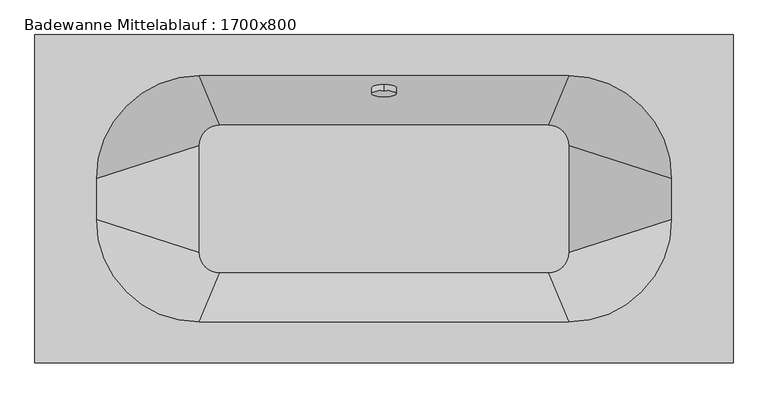
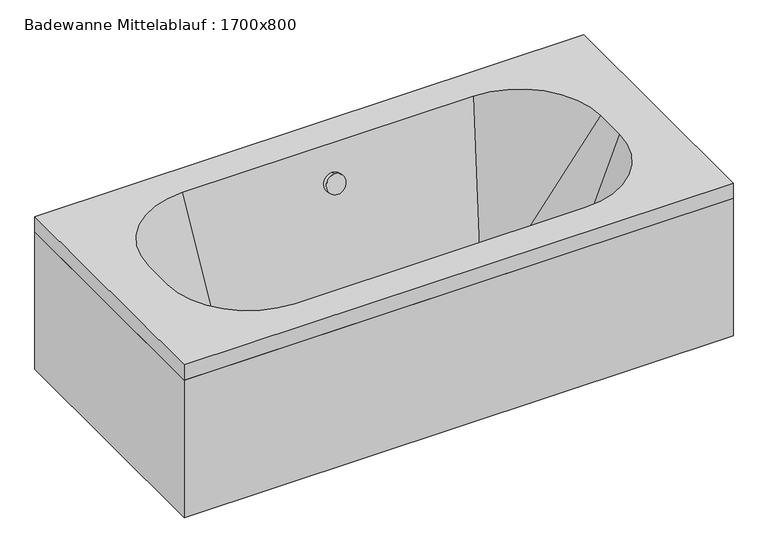
"""IFC4 building model written with IfcOpenShell, lengths in millimetres: flow terminal geometry, Badewanne Mittelablauf : 1700x800."""

import ifcopenshell
import ifcopenshell.guid

model = None  # the IFC model being written
_history = None  # IfcOwnerHistory: only IFC2X3 demands one
_inside = {}  # id of a spatial element -> (the spatial element, [elements in it])
_under = {}  # id of a project, library or spatial element -> (it, [spatial elements below it])
_declared = {}  # id of a project -> (the project, [libraries it declares])
_typed = {}  # id of a type object -> (the type object, [elements of that type])
_made_of = {}  # id of a material, layer set ... -> (it, [elements and type objects made of it])


def new_model(schema):
    """Start an empty IFC model of exactly this schema.

    Asked for "IFC4X3", IfcOpenShell would pick the latest addendum, in which some entities
    have other attributes; the version numbers below select the first issue.
    IFC2X3 requires an IfcOwnerHistory on every rooted entity: one is made here for all.
    """
    global model, _history
    if schema == "IFC4X3":
        model = ifcopenshell.file(schema_version=(4, 3, 0, 0))
    else:
        model = ifcopenshell.file(schema=schema)
    _inside.clear()
    _under.clear()
    _declared.clear()
    _typed.clear()
    _made_of.clear()
    _history = None
    if model.schema == "IFC2X3":
        org = make("IfcOrganization", Name="unknown")
        user = make(
            "IfcPersonAndOrganization",
            ThePerson=make("IfcPerson", FamilyName="unknown"),
            TheOrganization=org,
        )
        app = make(
            "IfcApplication",
            ApplicationDeveloper=org,
            Version="unknown",
            ApplicationFullName="unknown",
            ApplicationIdentifier="unknown",
        )
        _history = make(
            "IfcOwnerHistory",
            OwningUser=user,
            OwningApplication=app,
            ChangeAction="ADDED",
            CreationDate=0,
        )
    return model


def make(cls, **values):
    """One entity of the class cls with the attributes given. An attribute that is None is left unset."""
    return model.create_entity(
        cls, **{name: value for name, value in values.items() if value is not None}
    )


def rooted(cls, **values):
    """An entity with a GlobalId (a new one), such as an element, a storey or a relation."""
    return make(cls, GlobalId=ifcopenshell.guid.new(), OwnerHistory=_history, **values)


def si_unit(unit_type, name, prefix=None):
    """IfcSIUnit, for example si_unit("LENGTHUNIT", "METRE", prefix="MILLI")."""
    return make("IfcSIUnit", UnitType=unit_type, Prefix=prefix, Name=name)


def assignment(units):
    """IfcUnitAssignment: the units of a project."""
    return None if units is None else make("IfcUnitAssignment", Units=units)


def point(xyz):
    """IfcCartesianPoint."""
    return None if xyz is None else make("IfcCartesianPoint", Coordinates=xyz)


def direction(xyz):
    """IfcDirection."""
    return None if xyz is None else make("IfcDirection", DirectionRatios=xyz)


def frame(location, z_axis=None, x_axis=None):
    """IfcAxis2Placement3D, a coordinate frame: its origin and axes. An axis left out is left unset."""
    return make(
        "IfcAxis2Placement3D",
        Location=point(location),
        Axis=direction(z_axis),
        RefDirection=direction(x_axis),
    )


def frame_2d(location, x_axis=None):
    """IfcAxis2Placement2D, a coordinate frame in the plane: its origin and x axis."""
    return make(
        "IfcAxis2Placement2D", Location=point(location), RefDirection=direction(x_axis)
    )


def origin():
    """The frame at (0, 0, 0) with its axes left unset."""
    return frame((0.0, 0.0, 0.0))


def origin_with_axes():
    """The frame at (0, 0, 0) with the z axis (0, 0, 1) and the x axis (1, 0, 0) written out."""
    return frame((0.0, 0.0, 0.0), z_axis=(0.0, 0.0, 1.0), x_axis=(1.0, 0.0, 0.0))


def place(relative_to, where):
    """IfcLocalPlacement: puts the frame where relative to a parent placement (None: the world)."""
    return make(
        "IfcLocalPlacement", PlacementRelTo=relative_to, RelativePlacement=where
    )


def context(
    kind, dimensions, precision=None, world=None, true_north=None, identifier=None
):
    """IfcGeometricRepresentationContext, for example the 3D "Model" context."""
    return make(
        "IfcGeometricRepresentationContext",
        ContextIdentifier=identifier,
        ContextType=kind,
        CoordinateSpaceDimension=dimensions,
        Precision=precision,
        WorldCoordinateSystem=world,
        TrueNorth=true_north,
    )


def project(units=None, contexts=None):
    """IfcProject with its units and contexts."""
    return rooted(
        "IfcProject",
        Name="project",
        RepresentationContexts=contexts,
        UnitsInContext=assignment(units),
    )


def spatial(cls, under=None, at=None, **own):
    """A site, building, storey or space (cls), placed at a placement, below another one or the project."""
    s = rooted(cls, ObjectPlacement=at, **own)
    if under is not None:
        _under.setdefault(under.id(), (under, []))[1].append(s)
    return s


def polyline(points):
    """IfcPolyline through the points."""
    return make("IfcPolyline", Points=[point(p) for p in points])


def circle_curve(where, radius):
    """IfcCircle in the frame where."""
    return make("IfcCircle", Position=where, Radius=radius)


def trimmed(basis, trim1, trim2, sense, master):
    """IfcTrimmedCurve: the piece of a basis curve between two trims."""
    return make(
        "IfcTrimmedCurve",
        BasisCurve=basis,
        Trim1=trim1,
        Trim2=trim2,
        SenseAgreement=sense,
        MasterRepresentation=master,
    )


def segment(curve, same_sense, transition):
    """IfcCompositeCurveSegment."""
    return make(
        "IfcCompositeCurveSegment",
        Transition=transition,
        SameSense=same_sense,
        ParentCurve=curve,
    )


def composite_curve(segments, self_intersect=None):
    """IfcCompositeCurve: segments joined end to end."""
    return make("IfcCompositeCurve", Segments=segments, SelfIntersect=self_intersect)


def outline(outer, holes=None, kind="AREA"):
    """IfcArbitraryClosedProfileDef: a profile drawn as a closed curve; with holes, ...WithVoids."""
    if holes is None:
        return make("IfcArbitraryClosedProfileDef", ProfileType=kind, OuterCurve=outer)
    return make(
        "IfcArbitraryProfileDefWithVoids",
        ProfileType=kind,
        OuterCurve=outer,
        InnerCurves=holes,
    )


def extrude(swept, where, along, depth):
    """IfcExtrudedAreaSolid: the profile swept, set in the frame where, extruded along a direction by depth."""
    return make(
        "IfcExtrudedAreaSolid",
        SweptArea=swept,
        Position=where,
        ExtrudedDirection=direction(along),
        Depth=depth,
    )


def shape(context_of_items, identifier, shape_type, items):
    """IfcShapeRepresentation: the items that make up one representation, for example the "Body"."""
    return make(
        "IfcShapeRepresentation",
        ContextOfItems=context_of_items,
        RepresentationIdentifier=identifier,
        RepresentationType=shape_type,
        Items=items,
    )


def source(mapping_origin, context_of_items, identifier, shape_type, items):
    """IfcRepresentationMap: a shape defined once, which mapped items show again and again."""
    return make(
        "IfcRepresentationMap",
        MappingOrigin=mapping_origin,
        MappedRepresentation=shape(context_of_items, identifier, shape_type, items),
    )


def transform(
    local_origin,
    x_axis=None,
    y_axis=None,
    z_axis=None,
    scale=None,
    scale2=None,
    scale3=None,
    uniform=True,
):
    """IfcCartesianTransformationOperator3D, or its non-uniform kind. x_axis, y_axis, z_axis: its Axis1, 2, 3."""
    if uniform:
        return make(
            "IfcCartesianTransformationOperator3D",
            Axis1=direction(x_axis),
            Axis2=direction(y_axis),
            LocalOrigin=point(local_origin),
            Scale=scale,
            Axis3=direction(z_axis),
        )
    return make(
        "IfcCartesianTransformationOperator3DnonUniform",
        Axis1=direction(x_axis),
        Axis2=direction(y_axis),
        LocalOrigin=point(local_origin),
        Scale=scale,
        Axis3=direction(z_axis),
        Scale2=scale2,
        Scale3=scale3,
    )


def mapped(mapping_source, mapping_target):
    """IfcMappedItem: shows the shape of a source again, moved by a transform."""
    return make(
        "IfcMappedItem", MappingSource=mapping_source, MappingTarget=mapping_target
    )


def made_of(thing, what):
    """Note that an element or type object is made of a material, layer set ...; save() writes the relation."""
    if what is not None:
        _made_of.setdefault(what.id(), (what, []))[1].append(thing)
    return thing


def element(
    cls,
    number,
    at=None,
    inside=None,
    cuts=None,
    type_object=None,
    material=None,
    context=None,
    identifier="Body",
    shape_type=None,
    held_by="IfcProductDefinitionShape",
    body=None,
    shapes=None,
    **own,
):
    """One element of the class cls, such as IfcWall. Its Tag is "e" and its number.

    at: its placement. inside: the storey or other place that contains it. cuts: it is an
    opening in that element (IfcRelVoidsElement). A single representation is given by context,
    identifier, shape_type and body (its items); several are given by shapes. held_by: the class
    of the entity that holds the representations. save() writes the other relations.
    """
    e = rooted(cls, Tag="e%d" % number, ObjectPlacement=at, **own)
    if body is not None:
        shapes = [shape(context, identifier, shape_type, body)]
    if shapes is not None:
        e.Representation = make(held_by, Representations=shapes)
    if inside is not None:
        _inside.setdefault(inside.id(), (inside, []))[1].append(e)
    if cuts is not None:
        rooted(
            "IfcRelVoidsElement", RelatingBuildingElement=cuts, RelatedOpeningElement=e
        )
    if type_object is not None:
        _typed.setdefault(type_object.id(), (type_object, []))[1].append(e)
    return made_of(e, material)


def aggregate(whole, parts):
    """IfcRelAggregates: a whole, such as a stair, and the parts it consists of."""
    return rooted("IfcRelAggregates", RelatingObject=whole, RelatedObjects=parts)


def save(model, path):
    """Write the relations noted so far, then the file.

    IfcRelAggregates (storeys below a building ...), IfcRelContainedInSpatialStructure (elements
    in a storey), IfcRelDefinesByType, IfcRelAssociatesMaterial and IfcRelDeclares: one each for
    every whole, place, type object, material and project.
    """
    for whole, parts in _under.values():
        aggregate(whole, parts)
    for where, things in _inside.values():
        rooted(
            "IfcRelContainedInSpatialStructure",
            RelatedElements=things,
            RelatingStructure=where,
        )
    for kind, things in _typed.values():
        rooted("IfcRelDefinesByType", RelatedObjects=things, RelatingType=kind)
    for what, things in _made_of.values():
        rooted("IfcRelAssociatesMaterial", RelatedObjects=things, RelatingMaterial=what)
    for by, libraries in _declared.values():
        rooted("IfcRelDeclares", RelatingContext=by, RelatedDefinitions=libraries)
    model.write(path)


def plane_surface(at):
    """IfcPlane: the flat surface through the origin of the frame at, square to its z axis."""
    return make("IfcPlane", Position=at)


def spline_surface(u_degree, v_degree, points, u_multiplicities, v_multiplicities, u_knots, v_knots, weights=None):
    """IfcBSplineSurfaceWithKnots; with weights, IfcRationalBSplineSurfaceWithKnots. points: one row for each step in u."""
    own = dict(
        UDegree=u_degree,
        VDegree=v_degree,
        ControlPointsList=[[point(p) for p in row] for row in points],
        SurfaceForm="UNSPECIFIED",
        UClosed=False,
        VClosed=False,
        SelfIntersect=False,
        UMultiplicities=u_multiplicities,
        VMultiplicities=v_multiplicities,
        UKnots=u_knots,
        VKnots=v_knots,
        KnotSpec="UNSPECIFIED",
    )
    if weights is None:
        return make("IfcBSplineSurfaceWithKnots", **own)
    return make("IfcRationalBSplineSurfaceWithKnots", WeightsData=weights, **own)


def advanced_brep(points, edges, surfaces, faces):
    """IfcAdvancedBrep: a solid bounded by faces that lie on surfaces and meet in shared edges.

    An edge is (start, end): straight between two places in points (the first is 0);
    or (start, end, curve); or (start, end, curve, False) where it runs against its curve.
    A face is (place in surfaces, loops), or (place, loops, False) where it looks against
    its surface's normal. A loop lists edges by number (the first is 1), with a minus sign
    where the edge is run from its end to its start. The first loop is the outer one.
    """
    corners = [point(p) for p in points]
    vertices = [make("IfcVertexPoint", VertexGeometry=c) for c in corners]
    made = []
    for start, end, *more in edges:
        made.append(
            make(
                "IfcEdgeCurve",
                EdgeStart=vertices[start],
                EdgeEnd=vertices[end],
                EdgeGeometry=more[0] if more else make("IfcPolyline", Points=[corners[start], corners[end]]),
                SameSense=more[1] if len(more) > 1 else True,
            )
        )
    hull = []
    for where, loops, *sense in faces:
        bounds = []
        for j, loop in enumerate(loops):
            ring = [make("IfcOrientedEdge", EdgeElement=made[abs(k) - 1], Orientation=k > 0) for k in loop]
            bounds.append(
                make(
                    "IfcFaceOuterBound" if j == 0 else "IfcFaceBound",
                    Bound=make("IfcEdgeLoop", EdgeList=ring),
                    Orientation=True,
                )
            )
        hull.append(make("IfcAdvancedFace", Bounds=bounds, FaceSurface=surfaces[where], SameSense=sense[0] if sense else True))
    return make("IfcAdvancedBrep", Outer=make("IfcClosedShell", CfsFaces=hull))


def badewanne_mittelablauf_1700x800_1d590a01(model_context):
    return source(origin(), model_context, "Body", "SolidModel", [
        extrude(outline(composite_curve([segment(trimmed(circle_curve(frame_2d((0.0, -30.0)), 30.0), [point((0.0, -60.0))], [point((0.0, 0.0))], False, "CARTESIAN"), True, "CONTINUOUS"), segment(trimmed(circle_curve(frame_2d((0.0, -30.0)), 30.0), [point((0.0, 0.0))], [point((0.0, -60.0))], False, "CARTESIAN"), True, "CONTINUOUS")], self_intersect=False)), frame((850.0, 578.9560029, 421.0850109), z_axis=(0.0, -0.9662349396012457, 0.2576626505603348), x_axis=(1.0, 0.0, 0.0)), (0.0, 0.0, 1.0), 15.0),
        advanced_brep(
        [(1250.0, 480.0, 50.0), (450.0, 480.0, 50.0), (400.0, 430.0, 50.0), (400.0, 170.0, 50.0), (450.0, 120.0, 50.0), (1250.0, 120.0, 50.0), (1300.0, 170.0, 50.0), (1300.0, 430.0, 50.0), (1300.0, 600.0, 500.0), (400.0, 600.0, 500.0), (150.0, 350.0, 500.0), (150.0, 250.0, 500.0), (400.0, 0.0, 500.0), (1300.0, 0.0, 500.0), (1550.0, 250.0, 500.0), (1550.0, 350.0, 500.0), (1700.0, 700.0, 500.0), (0.0, 700.0, 500.0), (0.0, -100.0, 500.0), (1700.0, -100.0, 500.0), (15.0, -85.0, 0.0), (15.0, 685.0, 0.0), (1685.0, 685.0, 0.0), (1685.0, -85.0, 0.0), (1700.0, 700.0, 450.0), (0.0, 700.0, 450.0), (0.0, -100.0, 450.0), (1700.0, -100.0, 450.0), (15.0, -85.0, 450.0), (15.0, 685.0, 450.0), (1685.0, 685.0, 450.0), (1685.0, -85.0, 450.0)],
        [
            (0, 1),
            (1, 2, circle_curve(frame((450.0, 430.0, 50.0), z_axis=(0.0, 0.0, 1.0), x_axis=(1.0, 0.0, 0.0)), 50.0)),
            (2, 3),
            (3, 4, circle_curve(frame((450.0, 170.0, 50.0), z_axis=(0.0, 0.0, 1.0), x_axis=(1.0, 0.0, 0.0)), 50.0)),
            (4, 5),
            (5, 6, circle_curve(frame((1250.0, 170.0, 50.0), z_axis=(0.0, 0.0, 1.0), x_axis=(1.0, 0.0, 0.0)), 50.0)),
            (6, 7),
            (7, 0, circle_curve(frame((1250.0, 430.0, 50.0), z_axis=(0.0, 0.0, 1.0), x_axis=(1.0, 0.0, 0.0)), 50.0)),
            (0, 8),
            (8, 9),
            (9, 1),
            (2, 10),
            (10, 11),
            (11, 3),
            (4, 12),
            (12, 13),
            (13, 5),
            (6, 14),
            (14, 15),
            (15, 7),
            (16, 17),
            (17, 18),
            (18, 19),
            (19, 16),
            (8, 15, circle_curve(frame((1300.0, 350.0, 500.0), z_axis=(0.0, 0.0, -1.0), x_axis=(1.0, 0.0, 0.0)), 250.0)),
            (14, 13, circle_curve(frame((1300.0, 250.0, 500.0), z_axis=(0.0, 0.0, -1.0), x_axis=(1.0, 0.0, 0.0)), 250.0)),
            (12, 11, circle_curve(frame((400.0, 250.0, 500.0), z_axis=(0.0, 0.0, -1.0), x_axis=(1.0, 0.0, 0.0)), 250.0)),
            (10, 9, circle_curve(frame((400.0, 350.0, 500.0), z_axis=(0.0, 0.0, -1.0), x_axis=(1.0, 0.0, 0.0)), 250.0)),
            (20, 21),
            (21, 22),
            (22, 23),
            (23, 20),
            (16, 24),
            (24, 25),
            (25, 17),
            (25, 26),
            (26, 18),
            (26, 27),
            (27, 19),
            (27, 24),
            (28, 29),
            (29, 21),
            (20, 28),
            (29, 30),
            (30, 22),
            (30, 31),
            (31, 23),
            (31, 28),
        ],
        [
            plane_surface(frame((850.0, 300.0, 50.0), z_axis=(0.0, 0.0, 1.0), x_axis=(-1.0, 0.0, 0.0))),
            plane_surface(frame((850.0, 480.0, 50.0), z_axis=(0.0, -0.9662349396012457, 0.2576626505603348), x_axis=(-1.0, 0.0, 0.0))),
            plane_surface(frame((400.0, 300.0, 50.0), z_axis=(0.8741572761215377, 0.0, 0.48564293117863233), x_axis=(0.0, -1.0, 0.0))),
            plane_surface(frame((850.0, 120.0, 50.0), z_axis=(0.0, 0.9662349396012463, 0.25766265056033233), x_axis=(1.0, 0.0, 0.0))),
            plane_surface(frame((1300.0, 300.0, 50.0), z_axis=(-0.8741572761215447, 0.0, 0.4856429311786197), x_axis=(0.0, 1.0, 0.0))),
            plane_surface(frame((0.0, 700.0, 500.0), z_axis=(0.0, 0.0, 1.0), x_axis=(-1.0, 0.0, 0.0))),
            plane_surface(frame((0.0, 700.0, 0.0), z_axis=(0.0, 0.0, -1.0), x_axis=(1.0, 0.0, 0.0))),
            plane_surface(frame((1700.0, 700.0, 500.0), z_axis=(0.0, 1.0, 0.0), x_axis=(0.0, 0.0, -1.0))),
            plane_surface(frame((0.0, 700.0, 500.0), z_axis=(-1.0, 0.0, 0.0), x_axis=(0.0, 0.0, -1.0))),
            plane_surface(frame((0.0, -100.0, 500.0), z_axis=(0.0, -1.0, 0.0), x_axis=(0.0, 0.0, -1.0))),
            plane_surface(frame((1700.0, -100.0, 500.0), z_axis=(1.0, 0.0, 0.0), x_axis=(0.0, 0.0, -1.0))),
            plane_surface(frame((15.0, -85.0, 0.0), z_axis=(-1.0, 0.0, 0.0), x_axis=(0.0, 1.0, 0.0))),
            plane_surface(frame((15.0, 685.0, 0.0), z_axis=(0.0, 1.0, 0.0), x_axis=(1.0, 0.0, 0.0))),
            plane_surface(frame((1685.0, 685.0, 0.0), z_axis=(1.0, 0.0, 0.0), x_axis=(0.0, -1.0, 0.0))),
            plane_surface(frame((1685.0, -85.0, 0.0), z_axis=(0.0, -1.0, 0.0), x_axis=(-1.0, 0.0, 0.0))),
            plane_surface(frame((1685.0, -85.0, 450.0), z_axis=(0.0, 0.0, -1.0), x_axis=(-1.0, 0.0, 0.0))),
            spline_surface(1, 2, [[(450.0, 480.0, 50.0), (400.0, 480.0, 50.0), (400.0, 430.0, 50.0)], [(400.0, 600.0, 500.0), (150.0, 600.0, 500.0), (150.0, 350.0, 500.0)]], [2, 2], [3, 3], [0.0, 1.0], [0.0, 1.0], weights=[[1.0, 0.7071067811865476, 1.0], [1.0, 0.7071067811865476, 1.0]]),
            spline_surface(1, 2, [[(400.0, 170.0, 50.0), (400.0, 120.0, 50.0), (450.0, 120.0, 50.0)], [(150.0, 250.0, 500.0), (150.0, 0.0, 500.0), (400.0, 0.0, 500.0)]], [2, 2], [3, 3], [0.0, 1.0], [0.0, 1.0], weights=[[1.0, 0.7071067811865476, 1.0], [1.0, 0.7071067811865476, 1.0]]),
            spline_surface(1, 2, [[(1300.0, 430.0, 50.0), (1300.0, 480.0, 50.0), (1250.0, 480.0, 50.0)], [(1550.0, 350.0, 500.0), (1550.0, 600.0, 500.0), (1300.0, 600.0, 500.0)]], [2, 2], [3, 3], [0.0, 1.0], [0.0, 1.0], weights=[[1.0, 0.7071067811865476, 1.0], [1.0, 0.7071067811865476, 1.0]]),
            spline_surface(1, 2, [[(1250.0, 120.0, 50.0), (1300.0, 120.0, 50.0), (1300.0, 170.0, 50.0)], [(1300.0, 0.0, 500.0), (1550.0, 0.0, 500.0), (1550.0, 250.0, 500.0)]], [2, 2], [3, 3], [0.0, 1.0], [0.0, 1.0], weights=[[1.0, 0.7071067811865476, 1.0], [1.0, 0.7071067811865476, 1.0]]),
        ],
        [
            (0, [[1, 2, 3, 4, 5, 6, 7, 8]]),
            (1, [[-1, 9, 10, 11]]),
            (2, [[-3, 12, 13, 14]]),
            (3, [[-5, 15, 16, 17]]),
            (4, [[-7, 18, 19, 20]]),
            (5, [[21, 22, 23, 24], [-10, 25, -19, 26, -16, 27, -13, 28]]),
            (6, [[29, 30, 31, 32]]),
            (7, [[-21, 33, 34, 35]]),
            (8, [[-22, -35, 36, 37]]),
            (9, [[-23, -37, 38, 39]]),
            (10, [[-24, -39, 40, -33]]),
            (11, [[41, 42, -29, 43]]),
            (12, [[-42, 44, 45, -30]]),
            (13, [[-45, 46, 47, -31]]),
            (14, [[-43, -32, -47, 48]]),
            (15, [[-34, -40, -38, -36], [-41, -48, -46, -44]]),
            (16, [[-2, -11, -28, -12]]),
            (17, [[-4, -14, -27, -15]]),
            (18, [[-8, -20, -25, -9]]),
            (19, [[-6, -17, -26, -18]]),
        ],
    ),
        extrude(outline(polyline([(0.0, -100.0), (0.0, 700.0), (1700.0, 700.0), (1700.0, -100.0), (0.0, -100.0)]), holes=[polyline([(15.0, -85.0), (1685.0, -85.0), (1685.0, 685.0), (15.0, 685.0), (15.0, -85.0)])]), origin_with_axes(), (0.0, 0.0, 1.0), 450.0),
    ])


if __name__ == "__main__":
    model = new_model("IFC4")
    model_context = context("Model", 3, world=origin())
    ifc_project = project(units=[si_unit("LENGTHUNIT", "METRE", prefix="MILLI")], contexts=[model_context])
    site = spatial("IfcSite", under=ifc_project)
    building = spatial("IfcBuilding", under=site)
    placement = place(None, origin())
    badewanne_mittelablauf_1700x800_shape = badewanne_mittelablauf_1700x800_1d590a01(model_context)
    element("IfcFlowTerminal", 1, ObjectType="Badewanne Mittelablauf : 1700x800", at=placement, inside=building, context=model_context, shape_type="MappedRepresentation", body=[
        mapped(badewanne_mittelablauf_1700x800_shape, transform((0.0, 0.0, 0.0), x_axis=(1.0, 0.0, 0.0), y_axis=(0.0, 1.0, 0.0), z_axis=(0.0, 0.0, 1.0))),
    ])
    save(model, "model.ifc")
